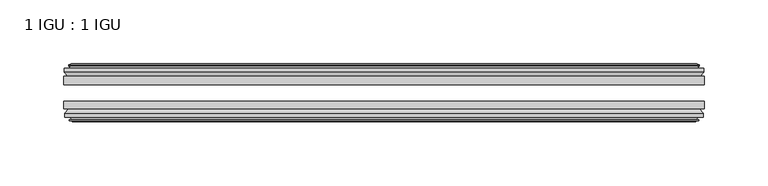
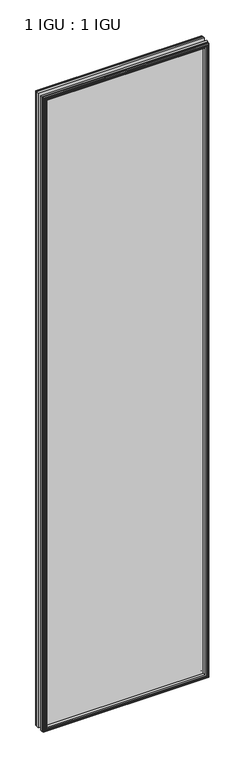
"""IFC4 building model written with IfcOpenShell, lengths in millimetres: plate geometry, 1 IGU : 1 IGU."""

from ifc_helpers import new_model, si_unit, frame, origin, place, context, project, spatial, polyline, outline, extrude, faceted_brep, source, transform, mapped, element, save


def plate_1_igu_1_igu_eae39a4d(model_context):
    return source(origin(), model_context, "Body", "SolidModel", [
        extrude(outline(polyline([(250.2044133, -25.8960937), (250.2044133, -32.2460938), (-250.2044133, -32.2460938), (-250.2044133, -25.8960937), (250.2044133, -25.8960937)])), frame((0.0, 0.0, -12.7), z_axis=(0.0, 0.0, 1.0), x_axis=(1.0, 0.0, 0.0)), (0.0, 0.0, 1.0), 2019.3),
        extrude(outline(polyline([(-250.2044133, -51.2960938), (-250.2044133, -45.2686737), (250.2044133, -45.2686737), (250.2044133, -51.2960938), (-250.2044133, -51.2960938)])), frame((0.0, 0.0, -12.7), z_axis=(0.0, 0.0, 1.0), x_axis=(1.0, 0.0, 0.0)), (0.0, 0.0, 1.0), 2019.3),
        faceted_brep([(-244.6164133, -60.0262907, 2001.012), (-244.9974133, -57.6460937, 2001.393), (-244.9974133, -57.6460937, -7.493), (-244.6164133, -60.0262907, -7.112), (-246.0319424, -59.5663575, 2002.4275291), (-246.0319424, -59.5663575, -8.5275291), (-246.0319424, -60.3675717, 2002.4275291), (-246.0319424, -60.3675717, -8.5275291), (-243.8544133, -61.0750937, 2000.25), (-243.8544133, -61.0750937, -6.35), (-241.6768843, -60.3675717, 1998.0724709), (-241.6768843, -60.3675717, -4.1724709), (-241.6768843, -59.5663575, 1998.0724709), (-241.6768843, -59.5663575, -4.1724709), (-243.0924133, -60.0262907, 1999.488), (-243.0924133, -60.0262907, -5.588), (-242.7114133, -57.6460937, 1999.107), (-242.7114133, -57.6460937, -5.207), (-235.7866953, -51.2960937, 1992.1822819), (-237.5044133, -57.6460937, 1993.9), (-237.5044133, -57.6460937, 0.0), (-235.7866953, -51.2960937, 1.7177181), (-249.4424133, -54.6996937, 2005.838), (-246.6080712, -51.2960937, 2003.0036578), (-246.6080712, -51.2960937, -9.1036578), (-249.4424133, -54.6996937, -11.938), (-249.4424133, -57.6460937, 2005.838), (-249.4424133, -57.6460937, -11.938), (244.9974133, -57.6460938, -7.493), (244.6164133, -60.0262907, -7.112), (246.0319424, -59.5663575, -8.5275291), (246.0319424, -60.3675717, -8.5275291), (243.8544133, -61.0750937, -6.35), (241.6768843, -60.3675717, -4.1724709), (241.6768843, -59.5663575, -4.1724709), (243.0924133, -60.0262907, -5.588), (242.7114133, -57.6460937, -5.207), (237.5044133, -57.6460937, 0.0), (235.7866953, -51.2960937, 1.7177181), (246.6080712, -51.2960937, -9.1036578), (249.4424133, -54.6996937, -11.938), (249.4424133, -57.6460938, -11.938), (244.9974133, -57.6460938, 2001.393), (244.6164133, -60.0262907, 2001.012), (246.0319424, -59.5663575, 2002.4275291), (246.0319424, -60.3675717, 2002.4275291), (243.8544133, -61.0750937, 2000.25), (241.6768843, -60.3675717, 1998.0724709), (241.6768843, -59.5663575, 1998.0724709), (243.0924133, -60.0262907, 1999.488), (242.7114133, -57.6460937, 1999.107), (237.5044133, -57.6460937, 1993.9), (235.7866953, -51.2960937, 1992.1822819), (246.6080712, -51.2960937, 2003.0036578), (249.4424133, -54.6996937, 2005.838), (249.4424133, -57.6460938, 2005.838)], [[[0, 1, 2, 3]], [[4, 0, 3, 5]], [[6, 4, 5, 7]], [[8, 6, 7, 9]], [[10, 8, 9, 11]], [[12, 10, 11, 13]], [[14, 12, 13, 15]], [[16, 14, 15, 17]], [[18, 19, 20, 21]], [[22, 23, 24, 25]], [[26, 22, 25, 27]], [[3, 2, 28, 29]], [[5, 3, 29, 30]], [[7, 5, 30, 31]], [[9, 7, 31, 32]], [[11, 9, 32, 33]], [[13, 11, 33, 34]], [[15, 13, 34, 35]], [[17, 15, 35, 36]], [[21, 20, 37, 38]], [[25, 24, 39, 40]], [[27, 25, 40, 41]], [[29, 28, 42, 43]], [[30, 29, 43, 44]], [[31, 30, 44, 45]], [[32, 31, 45, 46]], [[33, 32, 46, 47]], [[34, 33, 47, 48]], [[35, 34, 48, 49]], [[36, 35, 49, 50]], [[38, 37, 51, 52]], [[40, 39, 53, 54]], [[41, 40, 54, 55]], [[27, 41, 55, 26], [1, 42, 28, 2]], [[43, 42, 1, 0]], [[44, 43, 0, 4]], [[45, 44, 4, 6]], [[46, 45, 6, 8]], [[47, 46, 8, 10]], [[48, 47, 10, 12]], [[49, 48, 12, 14]], [[50, 49, 14, 16]], [[17, 36, 50, 16], [19, 51, 37, 20]], [[52, 51, 19, 18]], [[23, 53, 39, 24], [21, 38, 52, 18]], [[54, 53, 23, 22]], [[55, 54, 22, 26]]]),
        faceted_brep([(-247.1287712, -25.8960937, 2003.5243578), (-249.9631133, -22.4924937, 2006.3587), (-249.9631133, -22.4924937, -12.4587), (-247.1287712, -25.8960937, -9.6243578), (-238.0251133, -19.5460937, 1994.4207), (-236.3073953, -25.8960937, 1992.7029819), (-236.3073953, -25.8960937, 1.1970181), (-238.0251133, -19.5460937, -0.5207), (-243.6131133, -17.1658968, 2000.0087), (-243.2321133, -19.5460937, 1999.6277), (-243.2321133, -19.5460937, -5.7277), (-243.6131133, -17.1658968, -6.1087), (-242.1975843, -17.62583, 1998.5931709), (-242.1975843, -17.62583, -4.6931709), (-242.1975843, -16.8246158, 1998.5931709), (-242.1975843, -16.8246158, -4.6931709), (-244.3751133, -16.1170937, 2000.7707), (-244.3751133, -16.1170937, -6.8707), (-246.5526424, -16.8246158, 2002.9482291), (-246.5526424, -16.8246158, -9.0482291), (-246.5526424, -17.62583, 2002.9482291), (-246.5526424, -17.62583, -9.0482291), (-245.1371133, -17.1658968, 2001.5327), (-245.1371133, -17.1658968, -7.6327), (-245.5181133, -19.5460937, 2001.9137), (-245.5181133, -19.5460937, -8.0137), (-249.9631133, -19.5460937, 2006.3587), (-249.9631133, -19.5460937, -12.4587), (249.9631133, -22.4924937, -12.4587), (247.1287712, -25.8960937, -9.6243578), (236.3073953, -25.8960937, 1.1970181), (238.0251133, -19.5460937, -0.5207), (243.2321133, -19.5460937, -5.7277), (243.6131133, -17.1658968, -6.1087), (242.1975843, -17.62583, -4.6931709), (242.1975843, -16.8246158, -4.6931709), (244.3751133, -16.1170937, -6.8707), (246.5526424, -16.8246158, -9.0482291), (246.5526424, -17.62583, -9.0482291), (245.1371133, -17.1658968, -7.6327), (245.5181133, -19.5460937, -8.0137), (249.9631133, -19.5460937, -12.4587), (249.9631133, -22.4924937, 2006.3587), (247.1287712, -25.8960937, 2003.5243578), (236.3073953, -25.8960937, 1992.7029819), (238.0251133, -19.5460937, 1994.4207), (243.2321133, -19.5460937, 1999.6277), (243.6131133, -17.1658968, 2000.0087), (242.1975843, -17.62583, 1998.5931709), (242.1975843, -16.8246158, 1998.5931709), (244.3751133, -16.1170937, 2000.7707), (246.5526424, -16.8246158, 2002.9482291), (246.5526424, -17.62583, 2002.9482291), (245.1371133, -17.1658968, 2001.5327), (245.5181133, -19.5460937, 2001.9137), (249.9631133, -19.5460937, 2006.3587)], [[[0, 1, 2, 3]], [[4, 5, 6, 7]], [[8, 9, 10, 11]], [[12, 8, 11, 13]], [[14, 12, 13, 15]], [[16, 14, 15, 17]], [[18, 16, 17, 19]], [[20, 18, 19, 21]], [[22, 20, 21, 23]], [[24, 22, 23, 25]], [[1, 26, 27, 2]], [[3, 2, 28, 29]], [[7, 6, 30, 31]], [[11, 10, 32, 33]], [[13, 11, 33, 34]], [[15, 13, 34, 35]], [[17, 15, 35, 36]], [[19, 17, 36, 37]], [[21, 19, 37, 38]], [[23, 21, 38, 39]], [[25, 23, 39, 40]], [[2, 27, 41, 28]], [[29, 28, 42, 43]], [[31, 30, 44, 45]], [[33, 32, 46, 47]], [[34, 33, 47, 48]], [[35, 34, 48, 49]], [[36, 35, 49, 50]], [[37, 36, 50, 51]], [[38, 37, 51, 52]], [[39, 38, 52, 53]], [[40, 39, 53, 54]], [[28, 41, 55, 42]], [[43, 42, 1, 0]], [[3, 29, 43, 0], [5, 44, 30, 6]], [[45, 44, 5, 4]], [[9, 46, 32, 10], [7, 31, 45, 4]], [[47, 46, 9, 8]], [[48, 47, 8, 12]], [[49, 48, 12, 14]], [[50, 49, 14, 16]], [[51, 50, 16, 18]], [[52, 51, 18, 20]], [[53, 52, 20, 22]], [[54, 53, 22, 24]], [[26, 55, 41, 27], [25, 40, 54, 24]], [[42, 55, 26, 1]]]),
    ])


if __name__ == "__main__":
    model = new_model("IFC4")
    model_context = context("Model", 3, world=origin())
    ifc_project = project(units=[si_unit("LENGTHUNIT", "METRE", prefix="MILLI")], contexts=[model_context])
    site = spatial("IfcSite", under=ifc_project)
    building = spatial("IfcBuilding", under=site)
    placement = place(None, origin())
    plate_1_igu_1_igu_shape = plate_1_igu_1_igu_eae39a4d(model_context)
    element("IfcPlate", 1, ObjectType="1 IGU : 1 IGU", at=placement, inside=building, context=model_context, shape_type="MappedRepresentation", body=[
        mapped(plate_1_igu_1_igu_shape, transform((0.0, 0.0, 0.0), x_axis=(1.0, 0.0, 0.0), y_axis=(0.0, 1.0, 0.0), z_axis=(0.0, 0.0, 1.0))),
    ])
    save(model, "model.ifc")
